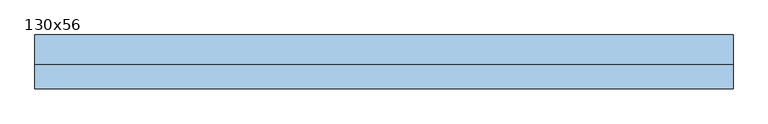
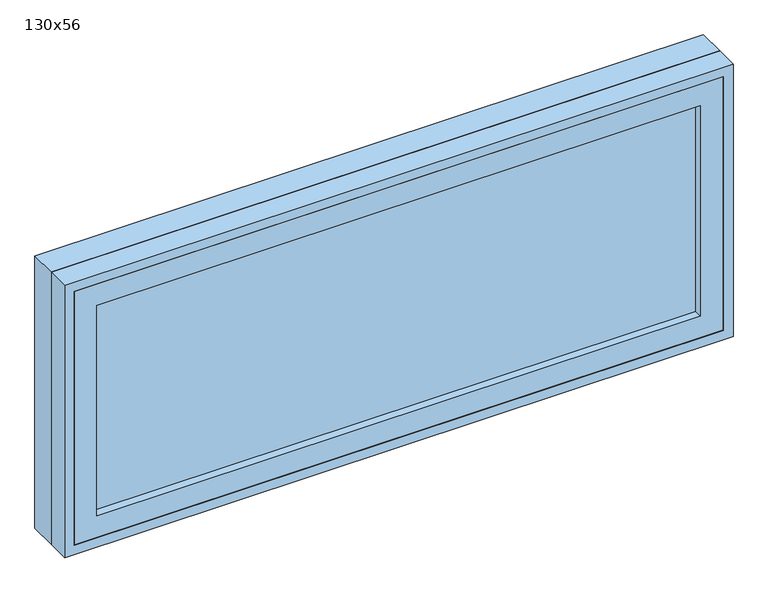
"""IFC4 building model written with IfcOpenShell, lengths in millimetres: window geometry, 130x56."""

from ifc_helpers import new_model, si_unit, frame, origin, place, context, project, spatial, polyline, outline, extrude, source, transform, mapped, element, save


def window_130x56_a770b848(model_context):
    return source(origin(), model_context, "Body", "SweptSolid", [
        extrude(outline(polyline([(548.4, -20.425), (548.4, -33.125), (-624.6, -33.125), (-624.6, -20.425), (548.4, -20.425)])), frame((0.0, 0.0, 977.9), z_axis=(0.0, 0.0, 1.0), x_axis=(1.0, 0.0, 0.0)), (0.0, 0.0, 1.0), 433.0),
        extrude(outline(polyline([(1455.35, -669.05), (933.45, -669.05), (933.45, 592.85), (1455.35, 592.85), (1455.35, -669.05)]), holes=[polyline([(1410.9, -624.6), (1410.9, 548.4), (977.9, 548.4), (977.9, -624.6), (1410.9, -624.6)])]), frame((0.0, -49.0, 0.0), z_axis=(0.0, 1.0, 0.0), x_axis=(0.0, 0.0, 1.0)), (0.0, 0.0, 1.0), 44.45),
        extrude(outline(polyline([(1474.4, -688.1), (914.4, -688.1), (914.4, 611.9), (1474.4, 611.9), (1474.4, -688.1)]), holes=[polyline([(1442.65, -656.35), (1442.65, 580.15), (946.15, 580.15), (946.15, -656.35), (1442.65, -656.35)])]), frame((0.0, -4.55, 0.0), z_axis=(0.0, 1.0, 0.0), x_axis=(0.0, 0.0, 1.0)), (0.0, 0.0, 1.0), 54.55),
        extrude(outline(polyline([(1474.4, 611.9), (1474.4, -688.1), (914.4, -688.1), (914.4, 611.9), (1474.4, 611.9)]), holes=[polyline([(1455.35, 592.85), (933.45, 592.85), (933.45, -669.05), (1455.35, -669.05), (1455.35, 592.85)])]), frame((0.0, -50.0, 0.0), z_axis=(0.0, 1.0, 0.0), x_axis=(0.0, 0.0, 1.0)), (0.0, 0.0, 1.0), 45.45),
    ])


if __name__ == "__main__":
    model = new_model("IFC4")
    model_context = context("Model", 3, world=origin())
    ifc_project = project(units=[si_unit("LENGTHUNIT", "METRE", prefix="MILLI")], contexts=[model_context])
    site = spatial("IfcSite", under=ifc_project)
    building = spatial("IfcBuilding", under=site)
    placement = place(None, origin())
    window_130x56_shape = window_130x56_a770b848(model_context)
    element("IfcWindow", 1, ObjectType="130x56", at=placement, inside=building, context=model_context, shape_type="MappedRepresentation", body=[
        mapped(window_130x56_shape, transform((0.0, 0.0, 0.0), x_axis=(1.0, 0.0, 0.0), y_axis=(0.0, 1.0, 0.0), z_axis=(0.0, 0.0, 1.0))),
    ])
    save(model, "model.ifc")
